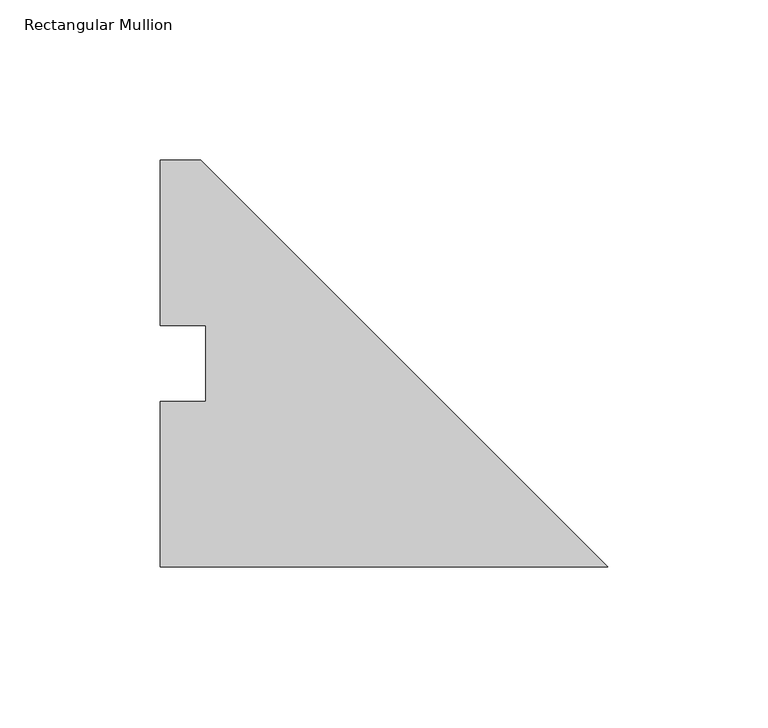
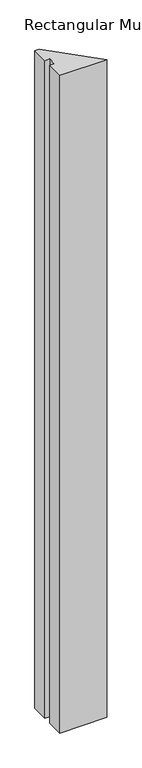
"""IFC4 building model written with IfcOpenShell, lengths in millimetres: member geometry, Rectangular Mullion."""

import ifcopenshell
import ifcopenshell.guid

model = None  # the IFC model being written
_history = None  # IfcOwnerHistory: only IFC2X3 demands one
_inside = {}  # id of a spatial element -> (the spatial element, [elements in it])
_under = {}  # id of a project, library or spatial element -> (it, [spatial elements below it])
_declared = {}  # id of a project -> (the project, [libraries it declares])
_typed = {}  # id of a type object -> (the type object, [elements of that type])
_made_of = {}  # id of a material, layer set ... -> (it, [elements and type objects made of it])


def new_model(schema):
    """Start an empty IFC model of exactly this schema.

    Asked for "IFC4X3", IfcOpenShell would pick the latest addendum, in which some entities
    have other attributes; the version numbers below select the first issue.
    IFC2X3 requires an IfcOwnerHistory on every rooted entity: one is made here for all.
    """
    global model, _history
    if schema == "IFC4X3":
        model = ifcopenshell.file(schema_version=(4, 3, 0, 0))
    else:
        model = ifcopenshell.file(schema=schema)
    _inside.clear()
    _under.clear()
    _declared.clear()
    _typed.clear()
    _made_of.clear()
    _history = None
    if model.schema == "IFC2X3":
        org = make("IfcOrganization", Name="unknown")
        user = make(
            "IfcPersonAndOrganization",
            ThePerson=make("IfcPerson", FamilyName="unknown"),
            TheOrganization=org,
        )
        app = make(
            "IfcApplication",
            ApplicationDeveloper=org,
            Version="unknown",
            ApplicationFullName="unknown",
            ApplicationIdentifier="unknown",
        )
        _history = make(
            "IfcOwnerHistory",
            OwningUser=user,
            OwningApplication=app,
            ChangeAction="ADDED",
            CreationDate=0,
        )
    return model


def make(cls, **values):
    """One entity of the class cls with the attributes given. An attribute that is None is left unset."""
    return model.create_entity(
        cls, **{name: value for name, value in values.items() if value is not None}
    )


def rooted(cls, **values):
    """An entity with a GlobalId (a new one), such as an element, a storey or a relation."""
    return make(cls, GlobalId=ifcopenshell.guid.new(), OwnerHistory=_history, **values)


def si_unit(unit_type, name, prefix=None):
    """IfcSIUnit, for example si_unit("LENGTHUNIT", "METRE", prefix="MILLI")."""
    return make("IfcSIUnit", UnitType=unit_type, Prefix=prefix, Name=name)


def assignment(units):
    """IfcUnitAssignment: the units of a project."""
    return None if units is None else make("IfcUnitAssignment", Units=units)


def point(xyz):
    """IfcCartesianPoint."""
    return None if xyz is None else make("IfcCartesianPoint", Coordinates=xyz)


def direction(xyz):
    """IfcDirection."""
    return None if xyz is None else make("IfcDirection", DirectionRatios=xyz)


def frame(location, z_axis=None, x_axis=None):
    """IfcAxis2Placement3D, a coordinate frame: its origin and axes. An axis left out is left unset."""
    return make(
        "IfcAxis2Placement3D",
        Location=point(location),
        Axis=direction(z_axis),
        RefDirection=direction(x_axis),
    )


def origin():
    """The frame at (0, 0, 0) with its axes left unset."""
    return frame((0.0, 0.0, 0.0))


def place(relative_to, where):
    """IfcLocalPlacement: puts the frame where relative to a parent placement (None: the world)."""
    return make(
        "IfcLocalPlacement", PlacementRelTo=relative_to, RelativePlacement=where
    )


def context(
    kind, dimensions, precision=None, world=None, true_north=None, identifier=None
):
    """IfcGeometricRepresentationContext, for example the 3D "Model" context."""
    return make(
        "IfcGeometricRepresentationContext",
        ContextIdentifier=identifier,
        ContextType=kind,
        CoordinateSpaceDimension=dimensions,
        Precision=precision,
        WorldCoordinateSystem=world,
        TrueNorth=true_north,
    )


def project(units=None, contexts=None):
    """IfcProject with its units and contexts."""
    return rooted(
        "IfcProject",
        Name="project",
        RepresentationContexts=contexts,
        UnitsInContext=assignment(units),
    )


def spatial(cls, under=None, at=None, **own):
    """A site, building, storey or space (cls), placed at a placement, below another one or the project."""
    s = rooted(cls, ObjectPlacement=at, **own)
    if under is not None:
        _under.setdefault(under.id(), (under, []))[1].append(s)
    return s


def polyline(points):
    """IfcPolyline through the points."""
    return make("IfcPolyline", Points=[point(p) for p in points])


def outline(outer, holes=None, kind="AREA"):
    """IfcArbitraryClosedProfileDef: a profile drawn as a closed curve; with holes, ...WithVoids."""
    if holes is None:
        return make("IfcArbitraryClosedProfileDef", ProfileType=kind, OuterCurve=outer)
    return make(
        "IfcArbitraryProfileDefWithVoids",
        ProfileType=kind,
        OuterCurve=outer,
        InnerCurves=holes,
    )


def extrude(swept, where, along, depth):
    """IfcExtrudedAreaSolid: the profile swept, set in the frame where, extruded along a direction by depth."""
    return make(
        "IfcExtrudedAreaSolid",
        SweptArea=swept,
        Position=where,
        ExtrudedDirection=direction(along),
        Depth=depth,
    )


def shape(context_of_items, identifier, shape_type, items):
    """IfcShapeRepresentation: the items that make up one representation, for example the "Body"."""
    return make(
        "IfcShapeRepresentation",
        ContextOfItems=context_of_items,
        RepresentationIdentifier=identifier,
        RepresentationType=shape_type,
        Items=items,
    )


def source(mapping_origin, context_of_items, identifier, shape_type, items):
    """IfcRepresentationMap: a shape defined once, which mapped items show again and again."""
    return make(
        "IfcRepresentationMap",
        MappingOrigin=mapping_origin,
        MappedRepresentation=shape(context_of_items, identifier, shape_type, items),
    )


def transform(
    local_origin,
    x_axis=None,
    y_axis=None,
    z_axis=None,
    scale=None,
    scale2=None,
    scale3=None,
    uniform=True,
):
    """IfcCartesianTransformationOperator3D, or its non-uniform kind. x_axis, y_axis, z_axis: its Axis1, 2, 3."""
    if uniform:
        return make(
            "IfcCartesianTransformationOperator3D",
            Axis1=direction(x_axis),
            Axis2=direction(y_axis),
            LocalOrigin=point(local_origin),
            Scale=scale,
            Axis3=direction(z_axis),
        )
    return make(
        "IfcCartesianTransformationOperator3DnonUniform",
        Axis1=direction(x_axis),
        Axis2=direction(y_axis),
        LocalOrigin=point(local_origin),
        Scale=scale,
        Axis3=direction(z_axis),
        Scale2=scale2,
        Scale3=scale3,
    )


def mapped(mapping_source, mapping_target):
    """IfcMappedItem: shows the shape of a source again, moved by a transform."""
    return make(
        "IfcMappedItem", MappingSource=mapping_source, MappingTarget=mapping_target
    )


def made_of(thing, what):
    """Note that an element or type object is made of a material, layer set ...; save() writes the relation."""
    if what is not None:
        _made_of.setdefault(what.id(), (what, []))[1].append(thing)
    return thing


def element(
    cls,
    number,
    at=None,
    inside=None,
    cuts=None,
    type_object=None,
    material=None,
    context=None,
    identifier="Body",
    shape_type=None,
    held_by="IfcProductDefinitionShape",
    body=None,
    shapes=None,
    **own,
):
    """One element of the class cls, such as IfcWall. Its Tag is "e" and its number.

    at: its placement. inside: the storey or other place that contains it. cuts: it is an
    opening in that element (IfcRelVoidsElement). A single representation is given by context,
    identifier, shape_type and body (its items); several are given by shapes. held_by: the class
    of the entity that holds the representations. save() writes the other relations.
    """
    e = rooted(cls, Tag="e%d" % number, ObjectPlacement=at, **own)
    if body is not None:
        shapes = [shape(context, identifier, shape_type, body)]
    if shapes is not None:
        e.Representation = make(held_by, Representations=shapes)
    if inside is not None:
        _inside.setdefault(inside.id(), (inside, []))[1].append(e)
    if cuts is not None:
        rooted(
            "IfcRelVoidsElement", RelatingBuildingElement=cuts, RelatedOpeningElement=e
        )
    if type_object is not None:
        _typed.setdefault(type_object.id(), (type_object, []))[1].append(e)
    return made_of(e, material)


def aggregate(whole, parts):
    """IfcRelAggregates: a whole, such as a stair, and the parts it consists of."""
    return rooted("IfcRelAggregates", RelatingObject=whole, RelatedObjects=parts)


def save(model, path):
    """Write the relations noted so far, then the file.

    IfcRelAggregates (storeys below a building ...), IfcRelContainedInSpatialStructure (elements
    in a storey), IfcRelDefinesByType, IfcRelAssociatesMaterial and IfcRelDeclares: one each for
    every whole, place, type object, material and project.
    """
    for whole, parts in _under.values():
        aggregate(whole, parts)
    for where, things in _inside.values():
        rooted(
            "IfcRelContainedInSpatialStructure",
            RelatedElements=things,
            RelatingStructure=where,
        )
    for kind, things in _typed.values():
        rooted("IfcRelDefinesByType", RelatedObjects=things, RelatingType=kind)
    for what, things in _made_of.values():
        rooted("IfcRelAssociatesMaterial", RelatedObjects=things, RelatingMaterial=what)
    for by, libraries in _declared.values():
        rooted("IfcRelDeclares", RelatingContext=by, RelatedDefinitions=libraries)
    model.write(path)


def rectangular_mullion_96a7abc1(model_context):
    return source(origin(), model_context, "Body", "SweptSolid", [
        extrude(outline(polyline([(-139.7, 0.00635), (-139.7, 51.60645), (-125.4125, 51.60645), (-125.4125, 75.40625), (-139.7, 75.40625), (-139.7, 127.00635), (-127.0, 127.00635), (0.0, 0.00635), (-139.7, 0.00635)])), frame((0.0, 0.0, -2057.4), z_axis=(0.0, 0.0, 1.0), x_axis=(1.0, 0.0, 0.0)), (0.0, 0.0, 1.0), 2057.4),
    ])


if __name__ == "__main__":
    model = new_model("IFC4")
    model_context = context("Model", 3, world=origin())
    ifc_project = project(units=[si_unit("LENGTHUNIT", "METRE", prefix="MILLI")], contexts=[model_context])
    site = spatial("IfcSite", under=ifc_project)
    building = spatial("IfcBuilding", under=site)
    placement = place(None, origin())
    rectangular_mullion_shape = rectangular_mullion_96a7abc1(model_context)
    element("IfcMember", 1, ObjectType="Rectangular Mullion", at=placement, inside=building, context=model_context, shape_type="MappedRepresentation", body=[
        mapped(rectangular_mullion_shape, transform((0.0, 0.0, 0.0), x_axis=(1.0, 0.0, 0.0), y_axis=(0.0, 1.0, 0.0), z_axis=(0.0, 0.0, 1.0))),
    ])
    save(model, "model.ifc")
